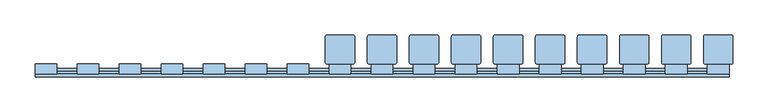
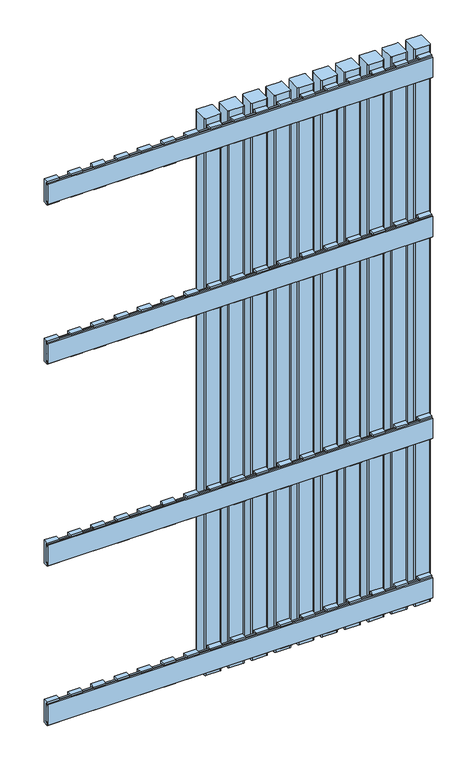
"""IFC4 building model written with IfcOpenShell, lengths in millimetres: window geometry."""

from ifc_helpers import new_model, si_unit, point, frame, frame_2d, origin, place, context, project, spatial, polyline, circle_curve, trimmed, segment, composite_curve, outline, extrude, source, transform, mapped, element, save


def window_c272300a(model_context):
    return source(origin(), model_context, "Body", "SweptSolid", [
        extrude(outline(polyline([(2.1, 1161.5936804), (-2.1, 1161.5936804), (-2.1, 1157.5936804), (-5.9, 1157.5936804), (-5.9, 1165.5), (8.0, 1165.5), (8.0, 1102.5), (-5.9, 1102.5), (-5.9, 1110.4063196), (-2.1, 1110.4063196), (-2.1, 1106.4063196), (2.1, 1106.4063196), (2.1, 1161.5936804)])), frame((404.5, 0.0, 0.0), z_axis=(1.0, 0.0, 0.0), x_axis=(0.0, 1.0, 0.0)), (0.0, 0.0, 1.0), 31.0),
        extrude(outline(polyline([(2.1, 611.5936804), (-2.1, 611.5936804), (-2.1, 607.5936804), (-5.9, 607.5936804), (-5.9, 615.5), (8.0, 615.5), (8.0, 552.5), (-5.9, 552.5), (-5.9, 560.4063196), (-2.1, 560.4063196), (-2.1, 556.4063196), (2.1, 556.4063196), (2.1, 611.5936804)])), frame((404.5, 0.0, 0.0), z_axis=(1.0, 0.0, 0.0), x_axis=(0.0, 1.0, 0.0)), (0.0, 0.0, 1.0), 31.0),
        extrude(outline(polyline([(2.1, 1540.9063196), (2.1, 1596.0936804), (-2.1, 1596.0936804), (-2.1, 1592.0936804), (-5.9, 1592.0936804), (-5.9, 1600.0), (8.0, 1600.0), (8.0, 1537.0), (-5.9, 1537.0), (-5.9, 1544.9063196), (-2.1, 1544.9063196), (-2.1, 1540.9063196), (2.1, 1540.9063196)])), frame((404.5, 0.0, 0.0), z_axis=(1.0, 0.0, 0.0), x_axis=(0.0, 1.0, 0.0)), (0.0, 0.0, 1.0), 31.0),
        extrude(outline(polyline([(2.1, 177.0936804), (-2.1, 177.0936804), (-2.1, 173.0936804), (-5.9, 173.0936804), (-5.9, 181.0), (8.0, 181.0), (8.0, 118.0), (-5.9, 118.0), (-5.9, 125.9063196), (-2.1, 125.9063196), (-2.1, 121.9063196), (2.1, 121.9063196), (2.1, 177.0936804)])), frame((404.5, 0.0, 0.0), z_axis=(1.0, 0.0, 0.0), x_axis=(0.0, 1.0, 0.0)), (0.0, 0.0, 1.0), 31.0),
        extrude(outline(polyline([(2.1, 1161.5936804), (-2.1, 1161.5936804), (-2.1, 1157.5936804), (-5.9, 1157.5936804), (-5.9, 1165.5), (8.0, 1165.5), (8.0, 1102.5), (-5.9, 1102.5), (-5.9, 1110.4063196), (-2.1, 1110.4063196), (-2.1, 1106.4063196), (2.1, 1106.4063196), (2.1, 1161.5936804)])), frame((344.5, 0.0, 0.0), z_axis=(1.0, 0.0, 0.0), x_axis=(0.0, 1.0, 0.0)), (0.0, 0.0, 1.0), 31.0),
        extrude(outline(polyline([(2.1, 611.5936804), (-2.1, 611.5936804), (-2.1, 607.5936804), (-5.9, 607.5936804), (-5.9, 615.5), (8.0, 615.5), (8.0, 552.5), (-5.9, 552.5), (-5.9, 560.4063196), (-2.1, 560.4063196), (-2.1, 556.4063196), (2.1, 556.4063196), (2.1, 611.5936804)])), frame((344.5, 0.0, 0.0), z_axis=(1.0, 0.0, 0.0), x_axis=(0.0, 1.0, 0.0)), (0.0, 0.0, 1.0), 31.0),
        extrude(outline(polyline([(2.1, 1540.9063196), (2.1, 1596.0936804), (-2.1, 1596.0936804), (-2.1, 1592.0936804), (-5.9, 1592.0936804), (-5.9, 1600.0), (8.0, 1600.0), (8.0, 1537.0), (-5.9, 1537.0), (-5.9, 1544.9063196), (-2.1, 1544.9063196), (-2.1, 1540.9063196), (2.1, 1540.9063196)])), frame((344.5, 0.0, 0.0), z_axis=(1.0, 0.0, 0.0), x_axis=(0.0, 1.0, 0.0)), (0.0, 0.0, 1.0), 31.0),
        extrude(outline(polyline([(2.1, 177.0936804), (-2.1, 177.0936804), (-2.1, 173.0936804), (-5.9, 173.0936804), (-5.9, 181.0), (8.0, 181.0), (8.0, 118.0), (-5.9, 118.0), (-5.9, 125.9063196), (-2.1, 125.9063196), (-2.1, 121.9063196), (2.1, 121.9063196), (2.1, 177.0936804)])), frame((344.5, 0.0, 0.0), z_axis=(1.0, 0.0, 0.0), x_axis=(0.0, 1.0, 0.0)), (0.0, 0.0, 1.0), 31.0),
        extrude(outline(polyline([(2.1, 1161.5936804), (-2.1, 1161.5936804), (-2.1, 1157.5936804), (-5.9, 1157.5936804), (-5.9, 1165.5), (8.0, 1165.5), (8.0, 1102.5), (-5.9, 1102.5), (-5.9, 1110.4063196), (-2.1, 1110.4063196), (-2.1, 1106.4063196), (2.1, 1106.4063196), (2.1, 1161.5936804)])), frame((284.5, 0.0, 0.0), z_axis=(1.0, 0.0, 0.0), x_axis=(0.0, 1.0, 0.0)), (0.0, 0.0, 1.0), 31.0),
        extrude(outline(polyline([(2.1, 611.5936804), (-2.1, 611.5936804), (-2.1, 607.5936804), (-5.9, 607.5936804), (-5.9, 615.5), (8.0, 615.5), (8.0, 552.5), (-5.9, 552.5), (-5.9, 560.4063196), (-2.1, 560.4063196), (-2.1, 556.4063196), (2.1, 556.4063196), (2.1, 611.5936804)])), frame((284.5, 0.0, 0.0), z_axis=(1.0, 0.0, 0.0), x_axis=(0.0, 1.0, 0.0)), (0.0, 0.0, 1.0), 31.0),
        extrude(outline(polyline([(2.1, 1540.9063196), (2.1, 1596.0936804), (-2.1, 1596.0936804), (-2.1, 1592.0936804), (-5.9, 1592.0936804), (-5.9, 1600.0), (8.0, 1600.0), (8.0, 1537.0), (-5.9, 1537.0), (-5.9, 1544.9063196), (-2.1, 1544.9063196), (-2.1, 1540.9063196), (2.1, 1540.9063196)])), frame((284.5, 0.0, 0.0), z_axis=(1.0, 0.0, 0.0), x_axis=(0.0, 1.0, 0.0)), (0.0, 0.0, 1.0), 31.0),
        extrude(outline(polyline([(2.1, 177.0936804), (-2.1, 177.0936804), (-2.1, 173.0936804), (-5.9, 173.0936804), (-5.9, 181.0), (8.0, 181.0), (8.0, 118.0), (-5.9, 118.0), (-5.9, 125.9063196), (-2.1, 125.9063196), (-2.1, 121.9063196), (2.1, 121.9063196), (2.1, 177.0936804)])), frame((284.5, 0.0, 0.0), z_axis=(1.0, 0.0, 0.0), x_axis=(0.0, 1.0, 0.0)), (0.0, 0.0, 1.0), 31.0),
        extrude(outline(polyline([(2.1, 1161.5936804), (-2.1, 1161.5936804), (-2.1, 1157.5936804), (-5.9, 1157.5936804), (-5.9, 1165.5), (8.0, 1165.5), (8.0, 1102.5), (-5.9, 1102.5), (-5.9, 1110.4063196), (-2.1, 1110.4063196), (-2.1, 1106.4063196), (2.1, 1106.4063196), (2.1, 1161.5936804)])), frame((224.5, 0.0, 0.0), z_axis=(1.0, 0.0, 0.0), x_axis=(0.0, 1.0, 0.0)), (0.0, 0.0, 1.0), 31.0),
        extrude(outline(polyline([(2.1, 611.5936804), (-2.1, 611.5936804), (-2.1, 607.5936804), (-5.9, 607.5936804), (-5.9, 615.5), (8.0, 615.5), (8.0, 552.5), (-5.9, 552.5), (-5.9, 560.4063196), (-2.1, 560.4063196), (-2.1, 556.4063196), (2.1, 556.4063196), (2.1, 611.5936804)])), frame((224.5, 0.0, 0.0), z_axis=(1.0, 0.0, 0.0), x_axis=(0.0, 1.0, 0.0)), (0.0, 0.0, 1.0), 31.0),
        extrude(outline(polyline([(2.1, 1540.9063196), (2.1, 1596.0936804), (-2.1, 1596.0936804), (-2.1, 1592.0936804), (-5.9, 1592.0936804), (-5.9, 1600.0), (8.0, 1600.0), (8.0, 1537.0), (-5.9, 1537.0), (-5.9, 1544.9063196), (-2.1, 1544.9063196), (-2.1, 1540.9063196), (2.1, 1540.9063196)])), frame((224.5, 0.0, 0.0), z_axis=(1.0, 0.0, 0.0), x_axis=(0.0, 1.0, 0.0)), (0.0, 0.0, 1.0), 31.0),
        extrude(outline(polyline([(2.1, 177.0936804), (-2.1, 177.0936804), (-2.1, 173.0936804), (-5.9, 173.0936804), (-5.9, 181.0), (8.0, 181.0), (8.0, 118.0), (-5.9, 118.0), (-5.9, 125.9063196), (-2.1, 125.9063196), (-2.1, 121.9063196), (2.1, 121.9063196), (2.1, 177.0936804)])), frame((224.5, 0.0, 0.0), z_axis=(1.0, 0.0, 0.0), x_axis=(0.0, 1.0, 0.0)), (0.0, 0.0, 1.0), 31.0),
        extrude(outline(polyline([(2.1, 1161.5936804), (-2.1, 1161.5936804), (-2.1, 1157.5936804), (-5.9, 1157.5936804), (-5.9, 1165.5), (8.0, 1165.5), (8.0, 1102.5), (-5.9, 1102.5), (-5.9, 1110.4063196), (-2.1, 1110.4063196), (-2.1, 1106.4063196), (2.1, 1106.4063196), (2.1, 1161.5936804)])), frame((164.5, 0.0, 0.0), z_axis=(1.0, 0.0, 0.0), x_axis=(0.0, 1.0, 0.0)), (0.0, 0.0, 1.0), 31.0),
        extrude(outline(polyline([(2.1, 611.5936804), (-2.1, 611.5936804), (-2.1, 607.5936804), (-5.9, 607.5936804), (-5.9, 615.5), (8.0, 615.5), (8.0, 552.5), (-5.9, 552.5), (-5.9, 560.4063196), (-2.1, 560.4063196), (-2.1, 556.4063196), (2.1, 556.4063196), (2.1, 611.5936804)])), frame((164.5, 0.0, 0.0), z_axis=(1.0, 0.0, 0.0), x_axis=(0.0, 1.0, 0.0)), (0.0, 0.0, 1.0), 31.0),
        extrude(outline(polyline([(2.1, 1540.9063196), (2.1, 1596.0936804), (-2.1, 1596.0936804), (-2.1, 1592.0936804), (-5.9, 1592.0936804), (-5.9, 1600.0), (8.0, 1600.0), (8.0, 1537.0), (-5.9, 1537.0), (-5.9, 1544.9063196), (-2.1, 1544.9063196), (-2.1, 1540.9063196), (2.1, 1540.9063196)])), frame((164.5, 0.0, 0.0), z_axis=(1.0, 0.0, 0.0), x_axis=(0.0, 1.0, 0.0)), (0.0, 0.0, 1.0), 31.0),
        extrude(outline(polyline([(2.1, 177.0936804), (-2.1, 177.0936804), (-2.1, 173.0936804), (-5.9, 173.0936804), (-5.9, 181.0), (8.0, 181.0), (8.0, 118.0), (-5.9, 118.0), (-5.9, 125.9063196), (-2.1, 125.9063196), (-2.1, 121.9063196), (2.1, 121.9063196), (2.1, 177.0936804)])), frame((164.5, 0.0, 0.0), z_axis=(1.0, 0.0, 0.0), x_axis=(0.0, 1.0, 0.0)), (0.0, 0.0, 1.0), 31.0),
        extrude(outline(polyline([(2.1, 1161.5936804), (-2.1, 1161.5936804), (-2.1, 1157.5936804), (-5.9, 1157.5936804), (-5.9, 1165.5), (8.0, 1165.5), (8.0, 1102.5), (-5.9, 1102.5), (-5.9, 1110.4063196), (-2.1, 1110.4063196), (-2.1, 1106.4063196), (2.1, 1106.4063196), (2.1, 1161.5936804)])), frame((104.5, 0.0, 0.0), z_axis=(1.0, 0.0, 0.0), x_axis=(0.0, 1.0, 0.0)), (0.0, 0.0, 1.0), 31.0),
        extrude(outline(polyline([(2.1, 611.5936804), (-2.1, 611.5936804), (-2.1, 607.5936804), (-5.9, 607.5936804), (-5.9, 615.5), (8.0, 615.5), (8.0, 552.5), (-5.9, 552.5), (-5.9, 560.4063196), (-2.1, 560.4063196), (-2.1, 556.4063196), (2.1, 556.4063196), (2.1, 611.5936804)])), frame((104.5, 0.0, 0.0), z_axis=(1.0, 0.0, 0.0), x_axis=(0.0, 1.0, 0.0)), (0.0, 0.0, 1.0), 31.0),
        extrude(outline(polyline([(2.1, 1540.9063196), (2.1, 1596.0936804), (-2.1, 1596.0936804), (-2.1, 1592.0936804), (-5.9, 1592.0936804), (-5.9, 1600.0), (8.0, 1600.0), (8.0, 1537.0), (-5.9, 1537.0), (-5.9, 1544.9063196), (-2.1, 1544.9063196), (-2.1, 1540.9063196), (2.1, 1540.9063196)])), frame((104.5, 0.0, 0.0), z_axis=(1.0, 0.0, 0.0), x_axis=(0.0, 1.0, 0.0)), (0.0, 0.0, 1.0), 31.0),
        extrude(outline(polyline([(2.1, 177.0936804), (-2.1, 177.0936804), (-2.1, 173.0936804), (-5.9, 173.0936804), (-5.9, 181.0), (8.0, 181.0), (8.0, 118.0), (-5.9, 118.0), (-5.9, 125.9063196), (-2.1, 125.9063196), (-2.1, 121.9063196), (2.1, 121.9063196), (2.1, 177.0936804)])), frame((104.5, 0.0, 0.0), z_axis=(1.0, 0.0, 0.0), x_axis=(0.0, 1.0, 0.0)), (0.0, 0.0, 1.0), 31.0),
        extrude(outline(polyline([(2.1, 1161.5936804), (-2.1, 1161.5936804), (-2.1, 1157.5936804), (-5.9, 1157.5936804), (-5.9, 1165.5), (8.0, 1165.5), (8.0, 1102.5), (-5.9, 1102.5), (-5.9, 1110.4063196), (-2.1, 1110.4063196), (-2.1, 1106.4063196), (2.1, 1106.4063196), (2.1, 1161.5936804)])), frame((44.5, 0.0, 0.0), z_axis=(1.0, 0.0, 0.0), x_axis=(0.0, 1.0, 0.0)), (0.0, 0.0, 1.0), 31.0),
        extrude(outline(polyline([(2.1, 611.5936804), (-2.1, 611.5936804), (-2.1, 607.5936804), (-5.9, 607.5936804), (-5.9, 615.5), (8.0, 615.5), (8.0, 552.5), (-5.9, 552.5), (-5.9, 560.4063196), (-2.1, 560.4063196), (-2.1, 556.4063196), (2.1, 556.4063196), (2.1, 611.5936804)])), frame((44.5, 0.0, 0.0), z_axis=(1.0, 0.0, 0.0), x_axis=(0.0, 1.0, 0.0)), (0.0, 0.0, 1.0), 31.0),
        extrude(outline(polyline([(2.1, 1540.9063196), (2.1, 1596.0936804), (-2.1, 1596.0936804), (-2.1, 1592.0936804), (-5.9, 1592.0936804), (-5.9, 1600.0), (8.0, 1600.0), (8.0, 1537.0), (-5.9, 1537.0), (-5.9, 1544.9063196), (-2.1, 1544.9063196), (-2.1, 1540.9063196), (2.1, 1540.9063196)])), frame((44.5, 0.0, 0.0), z_axis=(1.0, 0.0, 0.0), x_axis=(0.0, 1.0, 0.0)), (0.0, 0.0, 1.0), 31.0),
        extrude(outline(polyline([(2.1, 177.0936804), (-2.1, 177.0936804), (-2.1, 173.0936804), (-5.9, 173.0936804), (-5.9, 181.0), (8.0, 181.0), (8.0, 118.0), (-5.9, 118.0), (-5.9, 125.9063196), (-2.1, 125.9063196), (-2.1, 121.9063196), (2.1, 121.9063196), (2.1, 177.0936804)])), frame((44.5, 0.0, 0.0), z_axis=(1.0, 0.0, 0.0), x_axis=(0.0, 1.0, 0.0)), (0.0, 0.0, 1.0), 31.0),
        extrude(outline(polyline([(2.1, 1161.5936804), (-2.1, 1161.5936804), (-2.1, 1157.5936804), (-5.9, 1157.5936804), (-5.9, 1165.5), (8.0, 1165.5), (8.0, 1102.5), (-5.9, 1102.5), (-5.9, 1110.4063196), (-2.1, 1110.4063196), (-2.1, 1106.4063196), (2.1, 1106.4063196), (2.1, 1161.5936804)])), frame((-15.5, 0.0, 0.0), z_axis=(1.0, 0.0, 0.0), x_axis=(0.0, 1.0, 0.0)), (0.0, 0.0, 1.0), 31.0),
        extrude(outline(polyline([(2.1, 611.5936804), (-2.1, 611.5936804), (-2.1, 607.5936804), (-5.9, 607.5936804), (-5.9, 615.5), (8.0, 615.5), (8.0, 552.5), (-5.9, 552.5), (-5.9, 560.4063196), (-2.1, 560.4063196), (-2.1, 556.4063196), (2.1, 556.4063196), (2.1, 611.5936804)])), frame((-15.5, 0.0, 0.0), z_axis=(1.0, 0.0, 0.0), x_axis=(0.0, 1.0, 0.0)), (0.0, 0.0, 1.0), 31.0),
        extrude(outline(polyline([(2.1, 1540.9063196), (2.1, 1596.0936804), (-2.1, 1596.0936804), (-2.1, 1592.0936804), (-5.9, 1592.0936804), (-5.9, 1600.0), (8.0, 1600.0), (8.0, 1537.0), (-5.9, 1537.0), (-5.9, 1544.9063196), (-2.1, 1544.9063196), (-2.1, 1540.9063196), (2.1, 1540.9063196)])), frame((-15.5, 0.0, 0.0), z_axis=(1.0, 0.0, 0.0), x_axis=(0.0, 1.0, 0.0)), (0.0, 0.0, 1.0), 31.0),
        extrude(outline(polyline([(2.1, 177.0936804), (-2.1, 177.0936804), (-2.1, 173.0936804), (-5.9, 173.0936804), (-5.9, 181.0), (8.0, 181.0), (8.0, 118.0), (-5.9, 118.0), (-5.9, 125.9063196), (-2.1, 125.9063196), (-2.1, 121.9063196), (2.1, 121.9063196), (2.1, 177.0936804)])), frame((-15.5, 0.0, 0.0), z_axis=(1.0, 0.0, 0.0), x_axis=(0.0, 1.0, 0.0)), (0.0, 0.0, 1.0), 31.0),
        extrude(outline(polyline([(2.1, 1161.5936804), (-2.1, 1161.5936804), (-2.1, 1157.5936804), (-5.9, 1157.5936804), (-5.9, 1165.5), (8.0, 1165.5), (8.0, 1102.5), (-5.9, 1102.5), (-5.9, 1110.4063196), (-2.1, 1110.4063196), (-2.1, 1106.4063196), (2.1, 1106.4063196), (2.1, 1161.5936804)])), frame((-75.5, 0.0, 0.0), z_axis=(1.0, 0.0, 0.0), x_axis=(0.0, 1.0, 0.0)), (0.0, 0.0, 1.0), 31.0),
        extrude(outline(polyline([(2.1, 611.5936804), (-2.1, 611.5936804), (-2.1, 607.5936804), (-5.9, 607.5936804), (-5.9, 615.5), (8.0, 615.5), (8.0, 552.5), (-5.9, 552.5), (-5.9, 560.4063196), (-2.1, 560.4063196), (-2.1, 556.4063196), (2.1, 556.4063196), (2.1, 611.5936804)])), frame((-75.5, 0.0, 0.0), z_axis=(1.0, 0.0, 0.0), x_axis=(0.0, 1.0, 0.0)), (0.0, 0.0, 1.0), 31.0),
        extrude(outline(polyline([(2.1, 1540.9063196), (2.1, 1596.0936804), (-2.1, 1596.0936804), (-2.1, 1592.0936804), (-5.9, 1592.0936804), (-5.9, 1600.0), (8.0, 1600.0), (8.0, 1537.0), (-5.9, 1537.0), (-5.9, 1544.9063196), (-2.1, 1544.9063196), (-2.1, 1540.9063196), (2.1, 1540.9063196)])), frame((-75.5, 0.0, 0.0), z_axis=(1.0, 0.0, 0.0), x_axis=(0.0, 1.0, 0.0)), (0.0, 0.0, 1.0), 31.0),
        extrude(outline(polyline([(2.1, 177.0936804), (-2.1, 177.0936804), (-2.1, 173.0936804), (-5.9, 173.0936804), (-5.9, 181.0), (8.0, 181.0), (8.0, 118.0), (-5.9, 118.0), (-5.9, 125.9063196), (-2.1, 125.9063196), (-2.1, 121.9063196), (2.1, 121.9063196), (2.1, 177.0936804)])), frame((-75.5, 0.0, 0.0), z_axis=(1.0, 0.0, 0.0), x_axis=(0.0, 1.0, 0.0)), (0.0, 0.0, 1.0), 31.0),
        extrude(outline(polyline([(2.1, 1161.5936804), (-2.1, 1161.5936804), (-2.1, 1157.5936804), (-5.9, 1157.5936804), (-5.9, 1165.5), (8.0, 1165.5), (8.0, 1102.5), (-5.9, 1102.5), (-5.9, 1110.4063196), (-2.1, 1110.4063196), (-2.1, 1106.4063196), (2.1, 1106.4063196), (2.1, 1161.5936804)])), frame((-135.5, 0.0, 0.0), z_axis=(1.0, 0.0, 0.0), x_axis=(0.0, 1.0, 0.0)), (0.0, 0.0, 1.0), 31.0),
        extrude(outline(polyline([(2.1, 611.5936804), (-2.1, 611.5936804), (-2.1, 607.5936804), (-5.9, 607.5936804), (-5.9, 615.5), (8.0, 615.5), (8.0, 552.5), (-5.9, 552.5), (-5.9, 560.4063196), (-2.1, 560.4063196), (-2.1, 556.4063196), (2.1, 556.4063196), (2.1, 611.5936804)])), frame((-135.5, 0.0, 0.0), z_axis=(1.0, 0.0, 0.0), x_axis=(0.0, 1.0, 0.0)), (0.0, 0.0, 1.0), 31.0),
        extrude(outline(polyline([(2.1, 1540.9063196), (2.1, 1596.0936804), (-2.1, 1596.0936804), (-2.1, 1592.0936804), (-5.9, 1592.0936804), (-5.9, 1600.0), (8.0, 1600.0), (8.0, 1537.0), (-5.9, 1537.0), (-5.9, 1544.9063196), (-2.1, 1544.9063196), (-2.1, 1540.9063196), (2.1, 1540.9063196)])), frame((-135.5, 0.0, 0.0), z_axis=(1.0, 0.0, 0.0), x_axis=(0.0, 1.0, 0.0)), (0.0, 0.0, 1.0), 31.0),
        extrude(outline(polyline([(2.1, 177.0936804), (-2.1, 177.0936804), (-2.1, 173.0936804), (-5.9, 173.0936804), (-5.9, 181.0), (8.0, 181.0), (8.0, 118.0), (-5.9, 118.0), (-5.9, 125.9063196), (-2.1, 125.9063196), (-2.1, 121.9063196), (2.1, 121.9063196), (2.1, 177.0936804)])), frame((-135.5, 0.0, 0.0), z_axis=(1.0, 0.0, 0.0), x_axis=(0.0, 1.0, 0.0)), (0.0, 0.0, 1.0), 31.0),
        extrude(outline(polyline([(2.1, 1161.5936804), (-2.1, 1161.5936804), (-2.1, 1157.5936804), (-5.9, 1157.5936804), (-5.9, 1165.5), (8.0, 1165.5), (8.0, 1102.5), (-5.9, 1102.5), (-5.9, 1110.4063196), (-2.1, 1110.4063196), (-2.1, 1106.4063196), (2.1, 1106.4063196), (2.1, 1161.5936804)])), frame((-195.5, 0.0, 0.0), z_axis=(1.0, 0.0, 0.0), x_axis=(0.0, 1.0, 0.0)), (0.0, 0.0, 1.0), 31.0),
        extrude(outline(polyline([(2.1, 611.5936804), (-2.1, 611.5936804), (-2.1, 607.5936804), (-5.9, 607.5936804), (-5.9, 615.5), (8.0, 615.5), (8.0, 552.5), (-5.9, 552.5), (-5.9, 560.4063196), (-2.1, 560.4063196), (-2.1, 556.4063196), (2.1, 556.4063196), (2.1, 611.5936804)])), frame((-195.5, 0.0, 0.0), z_axis=(1.0, 0.0, 0.0), x_axis=(0.0, 1.0, 0.0)), (0.0, 0.0, 1.0), 31.0),
        extrude(outline(polyline([(2.1, 1540.9063196), (2.1, 1596.0936804), (-2.1, 1596.0936804), (-2.1, 1592.0936804), (-5.9, 1592.0936804), (-5.9, 1600.0), (8.0, 1600.0), (8.0, 1537.0), (-5.9, 1537.0), (-5.9, 1544.9063196), (-2.1, 1544.9063196), (-2.1, 1540.9063196), (2.1, 1540.9063196)])), frame((-195.5, 0.0, 0.0), z_axis=(1.0, 0.0, 0.0), x_axis=(0.0, 1.0, 0.0)), (0.0, 0.0, 1.0), 31.0),
        extrude(outline(polyline([(2.1, 177.0936804), (-2.1, 177.0936804), (-2.1, 173.0936804), (-5.9, 173.0936804), (-5.9, 181.0), (8.0, 181.0), (8.0, 118.0), (-5.9, 118.0), (-5.9, 125.9063196), (-2.1, 125.9063196), (-2.1, 121.9063196), (2.1, 121.9063196), (2.1, 177.0936804)])), frame((-195.5, 0.0, 0.0), z_axis=(1.0, 0.0, 0.0), x_axis=(0.0, 1.0, 0.0)), (0.0, 0.0, 1.0), 31.0),
        extrude(outline(polyline([(2.1, 1161.5936804), (-2.1, 1161.5936804), (-2.1, 1157.5936804), (-5.9, 1157.5936804), (-5.9, 1165.5), (8.0, 1165.5), (8.0, 1102.5), (-5.9, 1102.5), (-5.9, 1110.4063196), (-2.1, 1110.4063196), (-2.1, 1106.4063196), (2.1, 1106.4063196), (2.1, 1161.5936804)])), frame((-255.5, 0.0, 0.0), z_axis=(1.0, 0.0, 0.0), x_axis=(0.0, 1.0, 0.0)), (0.0, 0.0, 1.0), 31.0),
        extrude(outline(polyline([(2.1, 611.5936804), (-2.1, 611.5936804), (-2.1, 607.5936804), (-5.9, 607.5936804), (-5.9, 615.5), (8.0, 615.5), (8.0, 552.5), (-5.9, 552.5), (-5.9, 560.4063196), (-2.1, 560.4063196), (-2.1, 556.4063196), (2.1, 556.4063196), (2.1, 611.5936804)])), frame((-255.5, 0.0, 0.0), z_axis=(1.0, 0.0, 0.0), x_axis=(0.0, 1.0, 0.0)), (0.0, 0.0, 1.0), 31.0),
        extrude(outline(polyline([(2.1, 1540.9063196), (2.1, 1596.0936804), (-2.1, 1596.0936804), (-2.1, 1592.0936804), (-5.9, 1592.0936804), (-5.9, 1600.0), (8.0, 1600.0), (8.0, 1537.0), (-5.9, 1537.0), (-5.9, 1544.9063196), (-2.1, 1544.9063196), (-2.1, 1540.9063196), (2.1, 1540.9063196)])), frame((-255.5, 0.0, 0.0), z_axis=(1.0, 0.0, 0.0), x_axis=(0.0, 1.0, 0.0)), (0.0, 0.0, 1.0), 31.0),
        extrude(outline(polyline([(2.1, 177.0936804), (-2.1, 177.0936804), (-2.1, 173.0936804), (-5.9, 173.0936804), (-5.9, 181.0), (8.0, 181.0), (8.0, 118.0), (-5.9, 118.0), (-5.9, 125.9063196), (-2.1, 125.9063196), (-2.1, 121.9063196), (2.1, 121.9063196), (2.1, 177.0936804)])), frame((-255.5, 0.0, 0.0), z_axis=(1.0, 0.0, 0.0), x_axis=(0.0, 1.0, 0.0)), (0.0, 0.0, 1.0), 31.0),
        extrude(outline(polyline([(2.1, 1161.5936804), (-2.1, 1161.5936804), (-2.1, 1157.5936804), (-5.9, 1157.5936804), (-5.9, 1165.5), (8.0, 1165.5), (8.0, 1102.5), (-5.9, 1102.5), (-5.9, 1110.4063196), (-2.1, 1110.4063196), (-2.1, 1106.4063196), (2.1, 1106.4063196), (2.1, 1161.5936804)])), frame((-315.5, 0.0, 0.0), z_axis=(1.0, 0.0, 0.0), x_axis=(0.0, 1.0, 0.0)), (0.0, 0.0, 1.0), 31.0),
        extrude(outline(polyline([(2.1, 611.5936804), (-2.1, 611.5936804), (-2.1, 607.5936804), (-5.9, 607.5936804), (-5.9, 615.5), (8.0, 615.5), (8.0, 552.5), (-5.9, 552.5), (-5.9, 560.4063196), (-2.1, 560.4063196), (-2.1, 556.4063196), (2.1, 556.4063196), (2.1, 611.5936804)])), frame((-315.5, 0.0, 0.0), z_axis=(1.0, 0.0, 0.0), x_axis=(0.0, 1.0, 0.0)), (0.0, 0.0, 1.0), 31.0),
        extrude(outline(polyline([(2.1, 1540.9063196), (2.1, 1596.0936804), (-2.1, 1596.0936804), (-2.1, 1592.0936804), (-5.9, 1592.0936804), (-5.9, 1600.0), (8.0, 1600.0), (8.0, 1537.0), (-5.9, 1537.0), (-5.9, 1544.9063196), (-2.1, 1544.9063196), (-2.1, 1540.9063196), (2.1, 1540.9063196)])), frame((-315.5, 0.0, 0.0), z_axis=(1.0, 0.0, 0.0), x_axis=(0.0, 1.0, 0.0)), (0.0, 0.0, 1.0), 31.0),
        extrude(outline(polyline([(2.1, 177.0936804), (-2.1, 177.0936804), (-2.1, 173.0936804), (-5.9, 173.0936804), (-5.9, 181.0), (8.0, 181.0), (8.0, 118.0), (-5.9, 118.0), (-5.9, 125.9063196), (-2.1, 125.9063196), (-2.1, 121.9063196), (2.1, 121.9063196), (2.1, 177.0936804)])), frame((-315.5, 0.0, 0.0), z_axis=(1.0, 0.0, 0.0), x_axis=(0.0, 1.0, 0.0)), (0.0, 0.0, 1.0), 31.0),
        extrude(outline(polyline([(2.1, 1161.5936804), (-2.1, 1161.5936804), (-2.1, 1157.5936804), (-5.9, 1157.5936804), (-5.9, 1165.5), (8.0, 1165.5), (8.0, 1102.5), (-5.9, 1102.5), (-5.9, 1110.4063196), (-2.1, 1110.4063196), (-2.1, 1106.4063196), (2.1, 1106.4063196), (2.1, 1161.5936804)])), frame((-375.5, 0.0, 0.0), z_axis=(1.0, 0.0, 0.0), x_axis=(0.0, 1.0, 0.0)), (0.0, 0.0, 1.0), 31.0),
        extrude(outline(polyline([(2.1, 611.5936804), (-2.1, 611.5936804), (-2.1, 607.5936804), (-5.9, 607.5936804), (-5.9, 615.5), (8.0, 615.5), (8.0, 552.5), (-5.9, 552.5), (-5.9, 560.4063196), (-2.1, 560.4063196), (-2.1, 556.4063196), (2.1, 556.4063196), (2.1, 611.5936804)])), frame((-375.5, 0.0, 0.0), z_axis=(1.0, 0.0, 0.0), x_axis=(0.0, 1.0, 0.0)), (0.0, 0.0, 1.0), 31.0),
        extrude(outline(polyline([(2.1, 1540.9063196), (2.1, 1596.0936804), (-2.1, 1596.0936804), (-2.1, 1592.0936804), (-5.9, 1592.0936804), (-5.9, 1600.0), (8.0, 1600.0), (8.0, 1537.0), (-5.9, 1537.0), (-5.9, 1544.9063196), (-2.1, 1544.9063196), (-2.1, 1540.9063196), (2.1, 1540.9063196)])), frame((-375.5, 0.0, 0.0), z_axis=(1.0, 0.0, 0.0), x_axis=(0.0, 1.0, 0.0)), (0.0, 0.0, 1.0), 31.0),
        extrude(outline(polyline([(2.1, 177.0936804), (-2.1, 177.0936804), (-2.1, 173.0936804), (-5.9, 173.0936804), (-5.9, 181.0), (8.0, 181.0), (8.0, 118.0), (-5.9, 118.0), (-5.9, 125.9063196), (-2.1, 125.9063196), (-2.1, 121.9063196), (2.1, 121.9063196), (2.1, 177.0936804)])), frame((-375.5, 0.0, 0.0), z_axis=(1.0, 0.0, 0.0), x_axis=(0.0, 1.0, 0.0)), (0.0, 0.0, 1.0), 31.0),
        extrude(outline(polyline([(2.1, 1161.5936804), (-2.1, 1161.5936804), (-2.1, 1157.5936804), (-5.9, 1157.5936804), (-5.9, 1165.5), (8.0, 1165.5), (8.0, 1102.5), (-5.9, 1102.5), (-5.9, 1110.4063196), (-2.1, 1110.4063196), (-2.1, 1106.4063196), (2.1, 1106.4063196), (2.1, 1161.5936804)])), frame((-435.5, 0.0, 0.0), z_axis=(1.0, 0.0, 0.0), x_axis=(0.0, 1.0, 0.0)), (0.0, 0.0, 1.0), 31.0),
        extrude(outline(polyline([(2.1, 611.5936804), (-2.1, 611.5936804), (-2.1, 607.5936804), (-5.9, 607.5936804), (-5.9, 615.5), (8.0, 615.5), (8.0, 552.5), (-5.9, 552.5), (-5.9, 560.4063196), (-2.1, 560.4063196), (-2.1, 556.4063196), (2.1, 556.4063196), (2.1, 611.5936804)])), frame((-435.5, 0.0, 0.0), z_axis=(1.0, 0.0, 0.0), x_axis=(0.0, 1.0, 0.0)), (0.0, 0.0, 1.0), 31.0),
        extrude(outline(polyline([(2.1, 1540.9063196), (2.1, 1596.0936804), (-2.1, 1596.0936804), (-2.1, 1592.0936804), (-5.9, 1592.0936804), (-5.9, 1600.0), (8.0, 1600.0), (8.0, 1537.0), (-5.9, 1537.0), (-5.9, 1544.9063196), (-2.1, 1544.9063196), (-2.1, 1540.9063196), (2.1, 1540.9063196)])), frame((-435.5, 0.0, 0.0), z_axis=(1.0, 0.0, 0.0), x_axis=(0.0, 1.0, 0.0)), (0.0, 0.0, 1.0), 31.0),
        extrude(outline(polyline([(2.1, 177.0936804), (-2.1, 177.0936804), (-2.1, 173.0936804), (-5.9, 173.0936804), (-5.9, 181.0), (8.0, 181.0), (8.0, 118.0), (-5.9, 118.0), (-5.9, 125.9063196), (-2.1, 125.9063196), (-2.1, 121.9063196), (2.1, 121.9063196), (2.1, 177.0936804)])), frame((-435.5, 0.0, 0.0), z_axis=(1.0, 0.0, 0.0), x_axis=(0.0, 1.0, 0.0)), (0.0, 0.0, 1.0), 31.0),
        extrude(outline(polyline([(2.1, 1106.4063196), (2.1, 1161.5936804), (-2.1, 1161.5936804), (-2.1, 1157.5936804), (-5.9, 1157.5936804), (-5.9, 1165.5), (8.0, 1165.5), (8.0, 1102.5), (-5.9, 1102.5), (-5.9, 1110.4063196), (-2.1, 1110.4063196), (-2.1, 1106.4063196), (2.1, 1106.4063196)])), frame((464.5, 0.0, 0.0), z_axis=(1.0, 0.0, 0.0), x_axis=(0.0, 1.0, 0.0)), (0.0, 0.0, 1.0), 31.0),
        extrude(outline(polyline([(2.1, 556.4063196), (2.1, 611.5936804), (-2.1, 611.5936804), (-2.1, 607.5936804), (-5.9, 607.5936804), (-5.9, 615.5), (8.0, 615.5), (8.0, 552.5), (-5.9, 552.5), (-5.9, 560.4063196), (-2.1, 560.4063196), (-2.1, 556.4063196), (2.1, 556.4063196)])), frame((464.5, 0.0, 0.0), z_axis=(1.0, 0.0, 0.0), x_axis=(0.0, 1.0, 0.0)), (0.0, 0.0, 1.0), 31.0),
        extrude(outline(polyline([(2.1, 1540.9063196), (2.1, 1596.0936804), (-2.1, 1596.0936804), (-2.1, 1592.0936804), (-5.9, 1592.0936804), (-5.9, 1600.0), (8.0, 1600.0), (8.0, 1537.0), (-5.9, 1537.0), (-5.9, 1544.9063196), (-2.1, 1544.9063196), (-2.1, 1540.9063196), (2.1, 1540.9063196)])), frame((464.5, 0.0, 0.0), z_axis=(1.0, 0.0, 0.0), x_axis=(0.0, 1.0, 0.0)), (0.0, 0.0, 1.0), 31.0),
        extrude(outline(polyline([(2.1, 177.0936804), (-2.1, 177.0936804), (-2.1, 173.0936804), (-5.9, 173.0936804), (-5.9, 181.0), (8.0, 181.0), (8.0, 118.0), (-5.9, 118.0), (-5.9, 125.9063196), (-2.1, 125.9063196), (-2.1, 121.9063196), (2.1, 121.9063196), (2.1, 177.0936804)])), frame((464.5, 0.0, 0.0), z_axis=(1.0, 0.0, 0.0), x_axis=(0.0, 1.0, 0.0)), (0.0, 0.0, 1.0), 31.0),
        extrude(outline(polyline([(2.1, 1106.4063196), (2.1, 1161.5936804), (-2.1, 1161.5936804), (-2.1, 1157.5936804), (-5.9, 1157.5936804), (-5.9, 1165.5), (8.0, 1165.5), (8.0, 1102.5), (-5.9, 1102.5), (-5.9, 1110.4063196), (-2.1, 1110.4063196), (-2.1, 1106.4063196), (2.1, 1106.4063196)])), frame((-495.5, 0.0, 0.0), z_axis=(1.0, 0.0, 0.0), x_axis=(0.0, 1.0, 0.0)), (0.0, 0.0, 1.0), 31.0),
        extrude(outline(polyline([(2.1, 556.4063196), (2.1, 611.5936804), (-2.1, 611.5936804), (-2.1, 607.5936804), (-5.9, 607.5936804), (-5.9, 615.5), (8.0, 615.5), (8.0, 552.5), (-5.9, 552.5), (-5.9, 560.4063196), (-2.1, 560.4063196), (-2.1, 556.4063196), (2.1, 556.4063196)])), frame((-495.5, 0.0, 0.0), z_axis=(1.0, 0.0, 0.0), x_axis=(0.0, 1.0, 0.0)), (0.0, 0.0, 1.0), 31.0),
        extrude(outline(polyline([(2.1, 1540.9063196), (2.1, 1596.0936804), (-2.1, 1596.0936804), (-2.1, 1592.0936804), (-5.9, 1592.0936804), (-5.9, 1600.0), (8.0, 1600.0), (8.0, 1537.0), (-5.9, 1537.0), (-5.9, 1544.9063196), (-2.1, 1544.9063196), (-2.1, 1540.9063196), (2.1, 1540.9063196)])), frame((-495.5, 0.0, 0.0), z_axis=(1.0, 0.0, 0.0), x_axis=(0.0, 1.0, 0.0)), (0.0, 0.0, 1.0), 31.0),
        extrude(outline(polyline([(2.1, 177.0936804), (-2.1, 177.0936804), (-2.1, 173.0936804), (-5.9, 173.0936804), (-5.9, 181.0), (8.0, 181.0), (8.0, 118.0), (-5.9, 118.0), (-5.9, 125.9063196), (-2.1, 125.9063196), (-2.1, 121.9063196), (2.1, 121.9063196), (2.1, 177.0936804)])), frame((-495.5, 0.0, 0.0), z_axis=(1.0, 0.0, 0.0), x_axis=(0.0, 1.0, 0.0)), (0.0, 0.0, 1.0), 31.0),
        extrude(outline(polyline([(-10.0, 1161.5063196), (-6.0, 1161.5063196), (-6.0, 1157.5063196), (-2.0, 1157.5063196), (-2.0, 1161.5063196), (2.0, 1161.5063196), (2.0, 1156.5063196), (-1.0, 1156.5063196), (-1.0, 1151.5063196), (2.0, 1151.5063196), (2.0, 1139.0063196), (-1.0, 1139.0063196), (-1.0, 1129.0063196), (2.0, 1129.0063196), (2.0, 1116.5063196), (-1.0, 1116.5063196), (-1.0, 1111.5063196), (2.0, 1111.5063196), (2.0, 1106.5063196), (-2.0, 1106.5063196), (-2.0, 1110.5063196), (-6.0, 1110.5063196), (-6.0, 1106.5063196), (-10.0, 1106.5063196), (-10.0, 1161.5063196)])), frame((-495.5, 0.0, 0.0), z_axis=(1.0, 0.0, 0.0), x_axis=(0.0, 1.0, 0.0)), (0.0, 0.0, 1.0), 991.0),
        extrude(outline(polyline([(-10.0, 611.5063196), (-6.0, 611.5063196), (-6.0, 607.5063196), (-2.0, 607.5063196), (-2.0, 611.5063196), (2.0, 611.5063196), (2.0, 606.5063196), (-1.0, 606.5063196), (-1.0, 601.5063196), (2.0, 601.5063196), (2.0, 589.0063196), (-1.0, 589.0063196), (-1.0, 579.0063196), (2.0, 579.0063196), (2.0, 566.5063196), (-1.0, 566.5063196), (-1.0, 561.5063196), (2.0, 561.5063196), (2.0, 556.5063196), (-2.0, 556.5063196), (-2.0, 560.5063196), (-6.0, 560.5063196), (-6.0, 556.5063196), (-10.0, 556.5063196), (-10.0, 611.5063196)])), frame((-495.5, 0.0, 0.0), z_axis=(1.0, 0.0, 0.0), x_axis=(0.0, 1.0, 0.0)), (0.0, 0.0, 1.0), 991.0),
        extrude(outline(polyline([(-10.0, 1596.0), (-6.0, 1596.0), (-6.0, 1592.0), (-2.0, 1592.0), (-2.0, 1596.0), (2.0, 1596.0), (2.0, 1591.0), (-1.0, 1591.0), (-1.0, 1586.0), (2.0, 1586.0), (2.0, 1573.5), (-1.0, 1573.5), (-1.0, 1563.5), (2.0, 1563.5), (2.0, 1551.0), (-1.0, 1551.0), (-1.0, 1546.0), (2.0, 1546.0), (2.0, 1541.0), (-2.0, 1541.0), (-2.0, 1545.0), (-6.0, 1545.0), (-6.0, 1541.0), (-10.0, 1541.0), (-10.0, 1596.0)])), frame((-495.5, 0.0, 0.0), z_axis=(1.0, 0.0, 0.0), x_axis=(0.0, 1.0, 0.0)), (0.0, 0.0, 1.0), 991.0),
        extrude(outline(polyline([(-10.0, 177.0), (-6.0, 177.0), (-6.0, 173.0), (-2.0, 173.0), (-2.0, 177.0), (2.0, 177.0), (2.0, 172.0), (-1.0, 172.0), (-1.0, 167.0), (2.0, 167.0), (2.0, 154.5), (-1.0, 154.5), (-1.0, 144.5), (2.0, 144.5), (2.0, 132.0), (-1.0, 132.0), (-1.0, 127.0), (2.0, 127.0), (2.0, 122.0), (-2.0, 122.0), (-2.0, 126.0), (-6.0, 126.0), (-6.0, 122.0), (-10.0, 122.0), (-10.0, 177.0)])), frame((-495.5, 0.0, 0.0), z_axis=(1.0, 0.0, 0.0), x_axis=(0.0, 1.0, 0.0)), (0.0, 0.0, 1.0), 991.0),
        extrude(outline(composite_curve([segment(polyline([(500.995806, 47.0), (500.995806, 11.0)]), True, "CONTINUOUS"), segment(trimmed(circle_curve(frame_2d((497.995806, 11.0)), 3.0), [point((500.995806, 11.0))], [point((497.995806, 8.0))], False, "CARTESIAN"), True, "CONTINUOUS"), segment(polyline([(497.995806, 8.0), (461.995806, 8.0)]), True, "CONTINUOUS"), segment(trimmed(circle_curve(frame_2d((461.995806, 11.0)), 3.0), [point((461.995806, 8.0))], [point((458.995806, 11.0))], False, "CARTESIAN"), True, "CONTINUOUS"), segment(polyline([(458.995806, 11.0), (458.995806, 47.0)]), True, "CONTINUOUS"), segment(trimmed(circle_curve(frame_2d((461.995806, 47.0)), 3.0), [point((458.995806, 47.0))], [point((461.995806, 50.0))], False, "CARTESIAN"), True, "CONTINUOUS"), segment(polyline([(461.995806, 50.0), (497.995806, 50.0)]), True, "CONTINUOUS"), segment(trimmed(circle_curve(frame_2d((497.995806, 47.0)), 3.0), [point((497.995806, 50.0))], [point((500.995806, 47.0))], False, "CARTESIAN"), True, "CONTINUOUS")], self_intersect=False)), frame((0.0, 0.0, 100.0), z_axis=(0.0, 0.0, 1.0), x_axis=(1.0, 0.0, 0.0)), (0.0, 0.0, 1.0), 1518.0),
        extrude(outline(composite_curve([segment(polyline([(440.995806, 47.0), (440.995806, 11.0)]), True, "CONTINUOUS"), segment(trimmed(circle_curve(frame_2d((437.995806, 11.0)), 3.0), [point((440.995806, 11.0))], [point((437.995806, 8.0))], False, "CARTESIAN"), True, "CONTINUOUS"), segment(polyline([(437.995806, 8.0), (401.995806, 8.0)]), True, "CONTINUOUS"), segment(trimmed(circle_curve(frame_2d((401.995806, 11.0)), 3.0), [point((401.995806, 8.0))], [point((398.995806, 11.0))], False, "CARTESIAN"), True, "CONTINUOUS"), segment(polyline([(398.995806, 11.0), (398.995806, 47.0)]), True, "CONTINUOUS"), segment(trimmed(circle_curve(frame_2d((401.995806, 47.0)), 3.0), [point((398.995806, 47.0))], [point((401.995806, 50.0))], False, "CARTESIAN"), True, "CONTINUOUS"), segment(polyline([(401.995806, 50.0), (437.995806, 50.0)]), True, "CONTINUOUS"), segment(trimmed(circle_curve(frame_2d((437.995806, 47.0)), 3.0), [point((437.995806, 50.0))], [point((440.995806, 47.0))], False, "CARTESIAN"), True, "CONTINUOUS")], self_intersect=False)), frame((0.0, 0.0, 100.0), z_axis=(0.0, 0.0, 1.0), x_axis=(1.0, 0.0, 0.0)), (0.0, 0.0, 1.0), 1518.0),
        extrude(outline(composite_curve([segment(polyline([(380.995806, 47.0), (380.995806, 11.0)]), True, "CONTINUOUS"), segment(trimmed(circle_curve(frame_2d((377.995806, 11.0)), 3.0), [point((380.995806, 11.0))], [point((377.995806, 8.0))], False, "CARTESIAN"), True, "CONTINUOUS"), segment(polyline([(377.995806, 8.0), (341.995806, 8.0)]), True, "CONTINUOUS"), segment(trimmed(circle_curve(frame_2d((341.995806, 11.0)), 3.0), [point((341.995806, 8.0))], [point((338.995806, 11.0))], False, "CARTESIAN"), True, "CONTINUOUS"), segment(polyline([(338.995806, 11.0), (338.995806, 47.0)]), True, "CONTINUOUS"), segment(trimmed(circle_curve(frame_2d((341.995806, 47.0)), 3.0), [point((338.995806, 47.0))], [point((341.995806, 50.0))], False, "CARTESIAN"), True, "CONTINUOUS"), segment(polyline([(341.995806, 50.0), (377.995806, 50.0)]), True, "CONTINUOUS"), segment(trimmed(circle_curve(frame_2d((377.995806, 47.0)), 3.0), [point((377.995806, 50.0))], [point((380.995806, 47.0))], False, "CARTESIAN"), True, "CONTINUOUS")], self_intersect=False)), frame((0.0, 0.0, 100.0), z_axis=(0.0, 0.0, 1.0), x_axis=(1.0, 0.0, 0.0)), (0.0, 0.0, 1.0), 1518.0),
        extrude(outline(composite_curve([segment(polyline([(320.995806, 47.0), (320.995806, 11.0)]), True, "CONTINUOUS"), segment(trimmed(circle_curve(frame_2d((317.995806, 11.0)), 3.0), [point((320.995806, 11.0))], [point((317.995806, 8.0))], False, "CARTESIAN"), True, "CONTINUOUS"), segment(polyline([(317.995806, 8.0), (281.995806, 8.0)]), True, "CONTINUOUS"), segment(trimmed(circle_curve(frame_2d((281.995806, 11.0)), 3.0), [point((281.995806, 8.0))], [point((278.995806, 11.0))], False, "CARTESIAN"), True, "CONTINUOUS"), segment(polyline([(278.995806, 11.0), (278.995806, 47.0)]), True, "CONTINUOUS"), segment(trimmed(circle_curve(frame_2d((281.995806, 47.0)), 3.0), [point((278.995806, 47.0))], [point((281.995806, 50.0))], False, "CARTESIAN"), True, "CONTINUOUS"), segment(polyline([(281.995806, 50.0), (317.995806, 50.0)]), True, "CONTINUOUS"), segment(trimmed(circle_curve(frame_2d((317.995806, 47.0)), 3.0), [point((317.995806, 50.0))], [point((320.995806, 47.0))], False, "CARTESIAN"), True, "CONTINUOUS")], self_intersect=False)), frame((0.0, 0.0, 100.0), z_axis=(0.0, 0.0, 1.0), x_axis=(1.0, 0.0, 0.0)), (0.0, 0.0, 1.0), 1518.0),
        extrude(outline(composite_curve([segment(polyline([(260.995806, 47.0), (260.995806, 11.0)]), True, "CONTINUOUS"), segment(trimmed(circle_curve(frame_2d((257.995806, 11.0)), 3.0), [point((260.995806, 11.0))], [point((257.995806, 8.0))], False, "CARTESIAN"), True, "CONTINUOUS"), segment(polyline([(257.995806, 8.0), (221.995806, 8.0)]), True, "CONTINUOUS"), segment(trimmed(circle_curve(frame_2d((221.995806, 11.0)), 3.0), [point((221.995806, 8.0))], [point((218.995806, 11.0))], False, "CARTESIAN"), True, "CONTINUOUS"), segment(polyline([(218.995806, 11.0), (218.995806, 47.0)]), True, "CONTINUOUS"), segment(trimmed(circle_curve(frame_2d((221.995806, 47.0)), 3.0), [point((218.995806, 47.0))], [point((221.995806, 50.0))], False, "CARTESIAN"), True, "CONTINUOUS"), segment(polyline([(221.995806, 50.0), (257.995806, 50.0)]), True, "CONTINUOUS"), segment(trimmed(circle_curve(frame_2d((257.995806, 47.0)), 3.0), [point((257.995806, 50.0))], [point((260.995806, 47.0))], False, "CARTESIAN"), True, "CONTINUOUS")], self_intersect=False)), frame((0.0, 0.0, 100.0), z_axis=(0.0, 0.0, 1.0), x_axis=(1.0, 0.0, 0.0)), (0.0, 0.0, 1.0), 1518.0),
        extrude(outline(composite_curve([segment(polyline([(200.995806, 47.0), (200.995806, 11.0)]), True, "CONTINUOUS"), segment(trimmed(circle_curve(frame_2d((197.995806, 11.0)), 3.0), [point((200.995806, 11.0))], [point((197.995806, 8.0))], False, "CARTESIAN"), True, "CONTINUOUS"), segment(polyline([(197.995806, 8.0), (161.995806, 8.0)]), True, "CONTINUOUS"), segment(trimmed(circle_curve(frame_2d((161.995806, 11.0)), 3.0), [point((161.995806, 8.0))], [point((158.995806, 11.0))], False, "CARTESIAN"), True, "CONTINUOUS"), segment(polyline([(158.995806, 11.0), (158.995806, 47.0)]), True, "CONTINUOUS"), segment(trimmed(circle_curve(frame_2d((161.995806, 47.0)), 3.0), [point((158.995806, 47.0))], [point((161.995806, 50.0))], False, "CARTESIAN"), True, "CONTINUOUS"), segment(polyline([(161.995806, 50.0), (197.995806, 50.0)]), True, "CONTINUOUS"), segment(trimmed(circle_curve(frame_2d((197.995806, 47.0)), 3.0), [point((197.995806, 50.0))], [point((200.995806, 47.0))], False, "CARTESIAN"), True, "CONTINUOUS")], self_intersect=False)), frame((0.0, 0.0, 100.0), z_axis=(0.0, 0.0, 1.0), x_axis=(1.0, 0.0, 0.0)), (0.0, 0.0, 1.0), 1518.0),
        extrude(outline(composite_curve([segment(polyline([(140.995806, 47.0), (140.995806, 11.0)]), True, "CONTINUOUS"), segment(trimmed(circle_curve(frame_2d((137.995806, 11.0)), 3.0), [point((140.995806, 11.0))], [point((137.995806, 8.0))], False, "CARTESIAN"), True, "CONTINUOUS"), segment(polyline([(137.995806, 8.0), (101.995806, 8.0)]), True, "CONTINUOUS"), segment(trimmed(circle_curve(frame_2d((101.995806, 11.0)), 3.0), [point((101.995806, 8.0))], [point((98.995806, 11.0))], False, "CARTESIAN"), True, "CONTINUOUS"), segment(polyline([(98.995806, 11.0), (98.995806, 47.0)]), True, "CONTINUOUS"), segment(trimmed(circle_curve(frame_2d((101.995806, 47.0)), 3.0), [point((98.995806, 47.0))], [point((101.995806, 50.0))], False, "CARTESIAN"), True, "CONTINUOUS"), segment(polyline([(101.995806, 50.0), (137.995806, 50.0)]), True, "CONTINUOUS"), segment(trimmed(circle_curve(frame_2d((137.995806, 47.0)), 3.0), [point((137.995806, 50.0))], [point((140.995806, 47.0))], False, "CARTESIAN"), True, "CONTINUOUS")], self_intersect=False)), frame((0.0, 0.0, 100.0), z_axis=(0.0, 0.0, 1.0), x_axis=(1.0, 0.0, 0.0)), (0.0, 0.0, 1.0), 1518.0),
        extrude(outline(composite_curve([segment(polyline([(80.995806, 47.0), (80.995806, 11.0)]), True, "CONTINUOUS"), segment(trimmed(circle_curve(frame_2d((77.995806, 11.0)), 3.0), [point((80.995806, 11.0))], [point((77.995806, 8.0))], False, "CARTESIAN"), True, "CONTINUOUS"), segment(polyline([(77.995806, 8.0), (41.995806, 8.0)]), True, "CONTINUOUS"), segment(trimmed(circle_curve(frame_2d((41.995806, 11.0)), 3.0), [point((41.995806, 8.0))], [point((38.995806, 11.0))], False, "CARTESIAN"), True, "CONTINUOUS"), segment(polyline([(38.995806, 11.0), (38.995806, 47.0)]), True, "CONTINUOUS"), segment(trimmed(circle_curve(frame_2d((41.995806, 47.0)), 3.0), [point((38.995806, 47.0))], [point((41.995806, 50.0))], False, "CARTESIAN"), True, "CONTINUOUS"), segment(polyline([(41.995806, 50.0), (77.995806, 50.0)]), True, "CONTINUOUS"), segment(trimmed(circle_curve(frame_2d((77.995806, 47.0)), 3.0), [point((77.995806, 50.0))], [point((80.995806, 47.0))], False, "CARTESIAN"), True, "CONTINUOUS")], self_intersect=False)), frame((0.0, 0.0, 100.0), z_axis=(0.0, 0.0, 1.0), x_axis=(1.0, 0.0, 0.0)), (0.0, 0.0, 1.0), 1518.0),
        extrude(outline(composite_curve([segment(polyline([(20.995806, 47.0), (20.995806, 11.0)]), True, "CONTINUOUS"), segment(trimmed(circle_curve(frame_2d((17.995806, 11.0)), 3.0), [point((20.995806, 11.0))], [point((17.995806, 8.0))], False, "CARTESIAN"), True, "CONTINUOUS"), segment(polyline([(17.995806, 8.0), (-18.004194, 8.0)]), True, "CONTINUOUS"), segment(trimmed(circle_curve(frame_2d((-18.004194, 11.0)), 3.0), [point((-18.004194, 8.0))], [point((-21.004194, 11.0))], False, "CARTESIAN"), True, "CONTINUOUS"), segment(polyline([(-21.004194, 11.0), (-21.004194, 47.0)]), True, "CONTINUOUS"), segment(trimmed(circle_curve(frame_2d((-18.004194, 47.0)), 3.0), [point((-21.004194, 47.0))], [point((-18.004194, 50.0))], False, "CARTESIAN"), True, "CONTINUOUS"), segment(polyline([(-18.004194, 50.0), (17.995806, 50.0)]), True, "CONTINUOUS"), segment(trimmed(circle_curve(frame_2d((17.995806, 47.0)), 3.0), [point((17.995806, 50.0))], [point((20.995806, 47.0))], False, "CARTESIAN"), True, "CONTINUOUS")], self_intersect=False)), frame((0.0, 0.0, 100.0), z_axis=(0.0, 0.0, 1.0), x_axis=(1.0, 0.0, 0.0)), (0.0, 0.0, 1.0), 1518.0),
        extrude(outline(composite_curve([segment(polyline([(-39.004194, 47.0), (-39.004194, 11.0)]), True, "CONTINUOUS"), segment(trimmed(circle_curve(frame_2d((-42.004194, 11.0)), 3.0), [point((-39.004194, 11.0))], [point((-42.004194, 8.0))], False, "CARTESIAN"), True, "CONTINUOUS"), segment(polyline([(-42.004194, 8.0), (-78.004194, 8.0)]), True, "CONTINUOUS"), segment(trimmed(circle_curve(frame_2d((-78.004194, 11.0)), 3.0), [point((-78.004194, 8.0))], [point((-81.004194, 11.0))], False, "CARTESIAN"), True, "CONTINUOUS"), segment(polyline([(-81.004194, 11.0), (-81.004194, 47.0)]), True, "CONTINUOUS"), segment(trimmed(circle_curve(frame_2d((-78.004194, 47.0)), 3.0), [point((-81.004194, 47.0))], [point((-78.004194, 50.0))], False, "CARTESIAN"), True, "CONTINUOUS"), segment(polyline([(-78.004194, 50.0), (-42.004194, 50.0)]), True, "CONTINUOUS"), segment(trimmed(circle_curve(frame_2d((-42.004194, 47.0)), 3.0), [point((-42.004194, 50.0))], [point((-39.004194, 47.0))], False, "CARTESIAN"), True, "CONTINUOUS")], self_intersect=False)), frame((0.0, 0.0, 100.0), z_axis=(0.0, 0.0, 1.0), x_axis=(1.0, 0.0, 0.0)), (0.0, 0.0, 1.0), 1518.0),
    ])


if __name__ == "__main__":
    model = new_model("IFC4")
    model_context = context("Model", 3, world=origin())
    ifc_project = project(units=[si_unit("LENGTHUNIT", "METRE", prefix="MILLI")], contexts=[model_context])
    site = spatial("IfcSite", under=ifc_project)
    building = spatial("IfcBuilding", under=site)
    placement = place(None, origin())
    window_shape = window_c272300a(model_context)
    element("IfcWindow", 1, at=placement, inside=building, context=model_context, shape_type="MappedRepresentation", body=[
        mapped(window_shape, transform((0.0, 0.0, 0.0), x_axis=(1.0, 0.0, 0.0), y_axis=(0.0, 1.0, 0.0), z_axis=(0.0, 0.0, 1.0))),
    ])
    save(model, "model.ifc")
